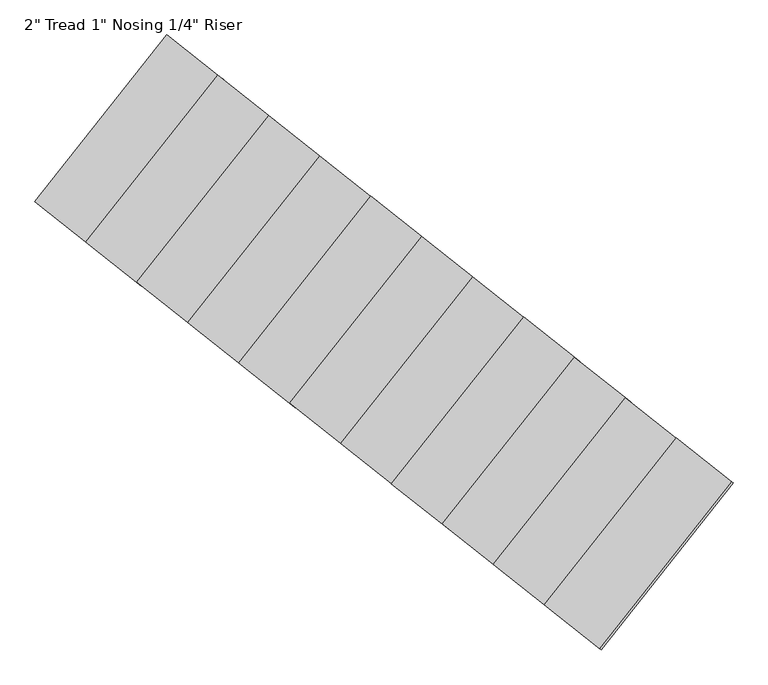
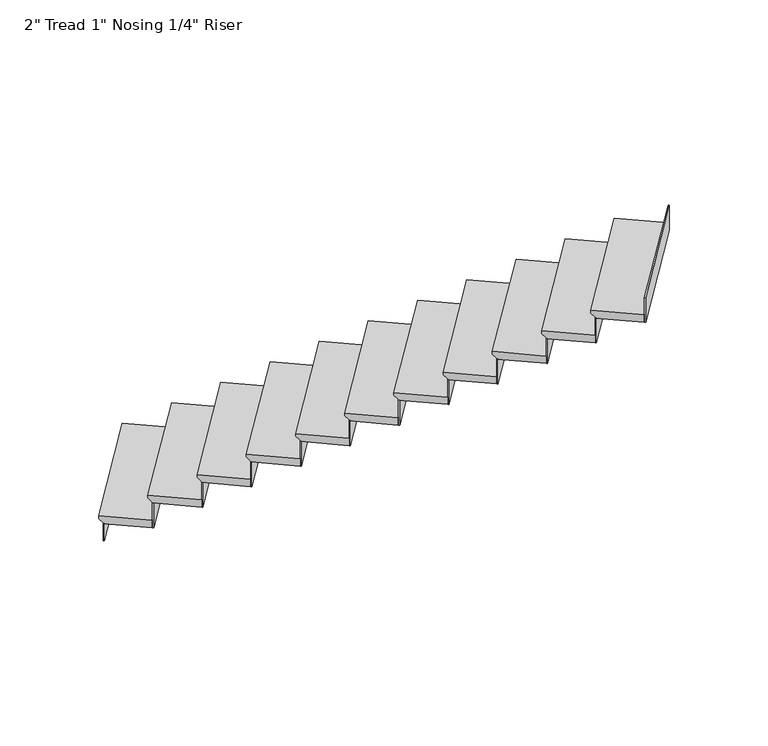
"""IFC4 building model written with IfcOpenShell, lengths in millimetres: stair flight geometry."""

from ifc_helpers import new_model, si_unit, frame, origin, origin_with_axes, place, context, project, spatial, polyline, outline, extrude, source, transform, mapped, element, save


def stair_flight_3cf3cf15(model_context):
    return source(origin(), model_context, "Body", "SweptSolid", [
        extrude(outline(polyline([(0.0, -279.4), (0.0, 25.4), (19.05, 25.4), (44.45, 0.0), (50.8, 0.0), (50.8, -279.4), (0.0, -279.4)])), frame((6602.836181, -35553.0856573, 169.3333333), z_axis=(0.6209227531109682, 0.7838717590710202, 0.0), x_axis=(0.0, 0.0, -1.0)), (0.0, 0.0, 1.0), 914.4),
        extrude(outline(polyline([(6607.8137667, -35557.0285168), (6602.836181, -35553.0856573), (7170.6079465, -34836.3133208), (7175.5855321, -34840.2561803), (6607.8137667, -35557.0285168)])), origin_with_axes(), (0.0, 0.0, 1.0), 118.5333333),
        extrude(outline(polyline([(6826.8275362, -35730.514334), (6821.8499505, -35726.5714745), (7389.6217159, -35009.799138), (7394.5993016, -35013.7419975), (6826.8275362, -35730.514334)])), frame((0.0, 0.0, 118.5333333), z_axis=(0.0, 0.0, 1.0), x_axis=(1.0, 0.0, 0.0)), (0.0, 0.0, 1.0), 169.3333333),
        extrude(outline(polyline([(0.0, -279.4), (0.0, 25.4), (19.05, 25.4), (44.45, 0.0), (50.8, 0.0), (50.8, -279.4), (0.0, -279.4)])), frame((6821.8499505, -35726.5714745, 338.6666667), z_axis=(0.6209227531109682, 0.7838717590710202, 0.0), x_axis=(0.0, 0.0, -1.0)), (0.0, 0.0, 1.0), 914.4),
        extrude(outline(polyline([(7045.8413057, -35904.0001512), (7040.86372, -35900.0572917), (7608.6354854, -35183.2849552), (7613.6130711, -35187.2278147), (7045.8413057, -35904.0001512)])), frame((0.0, 0.0, 287.8666667), z_axis=(0.0, 0.0, 1.0), x_axis=(1.0, 0.0, 0.0)), (0.0, 0.0, 1.0), 169.3333333),
        extrude(outline(polyline([(0.0, -279.4), (0.0, 25.4), (19.05, 25.4), (44.45, 0.0), (50.8, 0.0), (50.8, -279.4), (0.0, -279.4)])), frame((7040.86372, -35900.0572917, 508.0), z_axis=(0.6209227531109682, 0.7838717590710202, 0.0), x_axis=(0.0, 0.0, -1.0)), (0.0, 0.0, 1.0), 914.4),
        extrude(outline(polyline([(7264.8550751, -36077.4859684), (7259.8774895, -36073.5431089), (7827.6492549, -35356.7707724), (7832.6268406, -35360.7136319), (7264.8550751, -36077.4859684)])), frame((0.0, 0.0, 457.2), z_axis=(0.0, 0.0, 1.0), x_axis=(1.0, 0.0, 0.0)), (0.0, 0.0, 1.0), 169.3333333),
        extrude(outline(polyline([(0.0, -279.4000001), (0.0, 25.4), (19.05, 25.4), (44.45, 0.0), (50.8, 0.0), (50.8, -279.4000001), (0.0, -279.4000001)])), frame((7259.8774895, -36073.5431089, 677.3333333), z_axis=(0.6209227531109682, 0.7838717590710202, 0.0), x_axis=(0.0, 0.0, -1.0)), (0.0, 0.0, 1.0), 914.4),
        extrude(outline(polyline([(7483.8688446, -36250.9717856), (7478.891259, -36247.0289262), (8046.6630244, -35530.2565897), (8051.6406101, -35534.1994491), (7483.8688446, -36250.9717856)])), frame((0.0, 0.0, 626.5333333), z_axis=(0.0, 0.0, 1.0), x_axis=(1.0, 0.0, 0.0)), (0.0, 0.0, 1.0), 169.3333333),
        extrude(outline(polyline([(0.0, -279.3999999), (0.0, 25.4000001), (19.05, 25.4000001), (44.45, 0.0), (50.8, 0.0), (50.8, -279.3999999), (0.0, -279.3999999)])), frame((7478.891259, -36247.0289262, 846.6666667), z_axis=(0.6209227531109682, 0.7838717590710202, 0.0), x_axis=(0.0, 0.0, -1.0)), (0.0, 0.0, 1.0), 914.4),
        extrude(outline(polyline([(7702.8826141, -36424.4576029), (7697.9050284, -36420.5147434), (8265.6767939, -35703.7424069), (8270.6543796, -35707.6852664), (7702.8826141, -36424.4576029)])), frame((0.0, 0.0, 795.8666667), z_axis=(0.0, 0.0, 1.0), x_axis=(1.0, 0.0, 0.0)), (0.0, 0.0, 1.0), 169.3333333),
        extrude(outline(polyline([(0.0, -279.4), (0.0, 25.3999999), (19.05, 25.3999999), (44.45, 0.0), (50.8, 0.0), (50.8, -279.4), (0.0, -279.4)])), frame((7697.9050284, -36420.5147434, 1016.0), z_axis=(0.6209227531109682, 0.7838717590710202, 0.0), x_axis=(0.0, 0.0, -1.0)), (0.0, 0.0, 1.0), 914.4),
        extrude(outline(polyline([(7921.8963836, -36597.9434201), (7916.9187979, -36594.0005606), (8484.6905634, -35877.2282241), (8489.668149, -35881.1710836), (7921.8963836, -36597.9434201)])), frame((0.0, 0.0, 965.2), z_axis=(0.0, 0.0, 1.0), x_axis=(1.0, 0.0, 0.0)), (0.0, 0.0, 1.0), 169.3333333),
        extrude(outline(polyline([(0.0, -279.4), (0.0, 25.4), (19.05, 25.4), (44.45, 0.0), (50.8, 0.0), (50.8, -279.4), (0.0, -279.4)])), frame((7916.9187979, -36594.0005606, 1185.3333333), z_axis=(0.6209227531109682, 0.7838717590710202, 0.0), x_axis=(0.0, 0.0, -1.0)), (0.0, 0.0, 1.0), 914.4),
        extrude(outline(polyline([(8140.9101531, -36771.4292373), (8135.9325674, -36767.4863778), (8703.7043329, -36050.7140413), (8708.6819185, -36054.6569008), (8140.9101531, -36771.4292373)])), frame((0.0, 0.0, 1134.5333333), z_axis=(0.0, 0.0, 1.0), x_axis=(1.0, 0.0, 0.0)), (0.0, 0.0, 1.0), 169.3333333),
        extrude(outline(polyline([(0.0, -279.4), (0.0, 25.4), (19.05, 25.4), (44.45, 0.0), (50.8, 0.0), (50.8, -279.4), (0.0, -279.4)])), frame((8135.9325674, -36767.4863778, 1354.6666667), z_axis=(0.6209227531109682, 0.7838717590710202, 0.0), x_axis=(0.0, 0.0, -1.0)), (0.0, 0.0, 1.0), 914.4),
        extrude(outline(polyline([(8359.9239226, -36944.9150545), (8354.9463369, -36940.972195), (8922.7181023, -36224.1998585), (8927.695688, -36228.142718), (8359.9239226, -36944.9150545)])), frame((0.0, 0.0, 1303.8666667), z_axis=(0.0, 0.0, 1.0), x_axis=(1.0, 0.0, 0.0)), (0.0, 0.0, 1.0), 169.3333333),
        extrude(outline(polyline([(0.0, -279.4000001), (0.0, 25.4), (19.05, 25.4), (44.45, 0.0), (50.8, 0.0), (50.8, -279.4000001), (0.0, -279.4000001)])), frame((8354.9463369, -36940.972195, 1524.0), z_axis=(0.6209227531109682, 0.7838717590710202, 0.0), x_axis=(0.0, 0.0, -1.0)), (0.0, 0.0, 1.0), 914.4),
        extrude(outline(polyline([(8578.937692, -37118.4008717), (8573.9601064, -37114.4580123), (9141.7318718, -36397.6856758), (9146.7094575, -36401.6285352), (8578.937692, -37118.4008717)])), frame((0.0, 0.0, 1473.2), z_axis=(0.0, 0.0, 1.0), x_axis=(1.0, 0.0, 0.0)), (0.0, 0.0, 1.0), 169.3333333),
        extrude(outline(polyline([(0.0, -279.4), (0.0, 25.4000001), (19.05, 25.4000001), (44.45, 0.0), (50.8, 0.0), (50.8, -279.4), (0.0, -279.4)])), frame((8573.9601064, -37114.4580123, 1693.3333333), z_axis=(0.6209227531109682, 0.7838717590710202, 0.0), x_axis=(0.0, 0.0, -1.0)), (0.0, 0.0, 1.0), 914.4),
        extrude(outline(polyline([(8797.9514615, -37291.886689), (8792.9738759, -37287.9438295), (9360.7456413, -36571.171493), (9365.723227, -36575.1143525), (8797.9514615, -37291.886689)])), frame((0.0, 0.0, 1642.5333333), z_axis=(0.0, 0.0, 1.0), x_axis=(1.0, 0.0, 0.0)), (0.0, 0.0, 1.0), 169.3333333),
        extrude(outline(polyline([(0.0, -279.3999999), (0.0, 25.4000001), (19.05, 25.4000001), (44.45, 0.0), (50.8, 0.0), (50.8, -279.3999999), (0.0, -279.3999999)])), frame((8792.9738759, -37287.9438295, 1862.6666667), z_axis=(0.6209227531109682, 0.7838717590710202, 0.0), x_axis=(0.0, 0.0, -1.0)), (0.0, 0.0, 1.0), 914.4),
        extrude(outline(polyline([(9016.965231, -37465.3725062), (9011.9876453, -37461.4296467), (9579.7594108, -36744.6573102), (9584.7369965, -36748.6001697), (9016.965231, -37465.3725062)])), frame((0.0, 0.0, 1811.8666667), z_axis=(0.0, 0.0, 1.0), x_axis=(1.0, 0.0, 0.0)), (0.0, 0.0, 1.0), 169.3333333),
    ])


if __name__ == "__main__":
    model = new_model("IFC4")
    model_context = context("Model", 3, world=origin())
    ifc_project = project(units=[si_unit("LENGTHUNIT", "METRE", prefix="MILLI")], contexts=[model_context])
    site = spatial("IfcSite", under=ifc_project)
    building = spatial("IfcBuilding", under=site)
    placement = place(None, origin())
    stair_flight_shape = stair_flight_3cf3cf15(model_context)
    element("IfcStairFlight", 1, ObjectType="2\" Tread 1\" Nosing 1/4\" Riser", at=placement, inside=building, context=model_context, shape_type="MappedRepresentation", body=[
        mapped(stair_flight_shape, transform((0.0, 0.0, 0.0), x_axis=(1.0, 0.0, 0.0), y_axis=(0.0, 1.0, 0.0), z_axis=(0.0, 0.0, 1.0))),
    ])
    save(model, "model.ifc")
